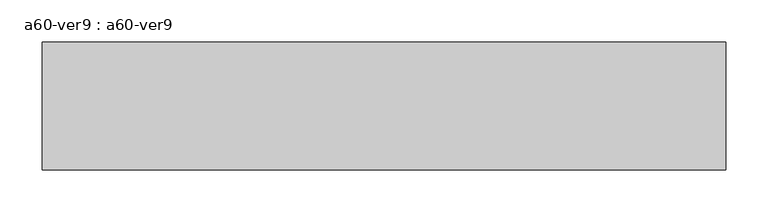
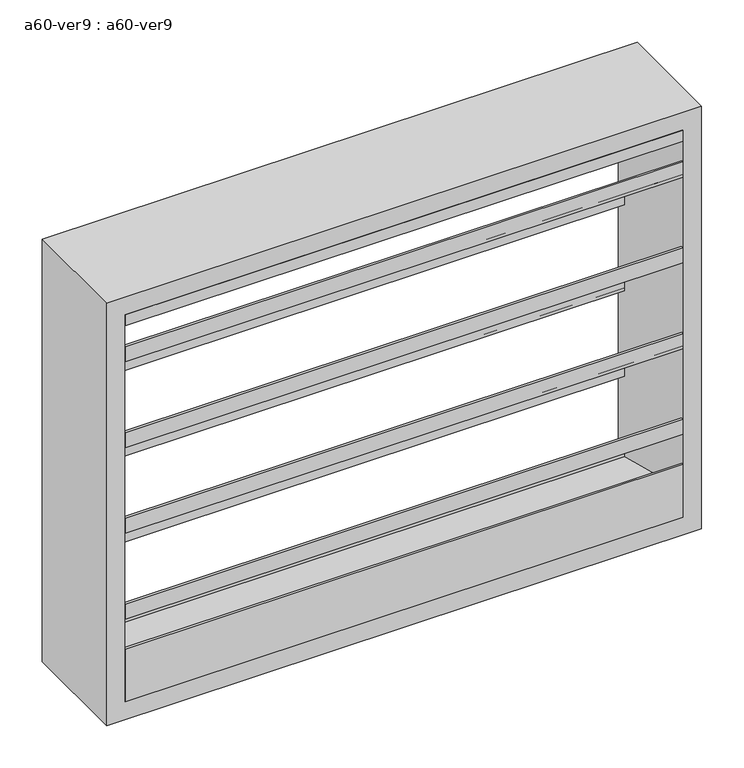
"""IFC4 building model written with IfcOpenShell, lengths in millimetres: proxy geometry, a60-ver9 : a60-ver9."""

from ifc_helpers import new_model, si_unit, frame, origin, place, context, project, spatial, polyline, outline, extrude, source, transform, mapped, element, save


def a60_ver9_a60_ver9_66e191cd(model_context):
    return source(origin(), model_context, "Body", "SweptSolid", [
        extrude(outline(polyline([(-73.025, 1106.4657367), (-73.025, 1086.29979), (65.3071116, 980.1538275), (65.3071116, 962.3154476), (73.025, 956.3933035), (73.025, 981.1079125), (76.2, 981.1079125), (76.2, 952.5), (72.883344, 952.5), (62.1321116, 960.7497108), (62.1321116, 978.5880908), (-76.2, 1084.7340533), (-76.2, 1106.4657367), (-73.025, 1106.4657367)])), frame((-381.0, 0.0, 0.0), z_axis=(1.0, 0.0, 0.0), x_axis=(0.0, 1.0, 0.0)), (0.0, 0.0, 1.0), 762.0),
        extrude(outline(polyline([(-73.025, 1230.2907367), (-73.025, 1210.12479), (65.3071116, 1103.9788275), (65.3071116, 1086.1404476), (73.025, 1080.2183035), (73.025, 1104.9329125), (76.2, 1104.9329125), (76.2, 1076.325), (72.883344, 1076.325), (62.1321116, 1084.5747108), (62.1321116, 1102.4130908), (-76.2, 1208.5590533), (-76.2, 1230.2907367), (-73.025, 1230.2907367)])), frame((-381.0, 0.0, 0.0), z_axis=(1.0, 0.0, 0.0), x_axis=(0.0, 1.0, 0.0)), (0.0, 0.0, 1.0), 762.0),
        extrude(outline(polyline([(-73.025, 1354.1157367), (-73.025, 1333.94979), (65.3071116, 1227.8038275), (65.3071116, 1209.9654476), (73.025, 1204.0433035), (73.025, 1228.7579125), (76.2, 1228.7579125), (76.2, 1200.15), (72.883344, 1200.15), (62.1321116, 1208.3997108), (62.1321116, 1226.2380908), (-76.2, 1332.3840533), (-76.2, 1354.1157367), (-73.025, 1354.1157367)])), frame((-381.0, 0.0, 0.0), z_axis=(1.0, 0.0, 0.0), x_axis=(0.0, 1.0, 0.0)), (0.0, 0.0, 1.0), 762.0),
        extrude(outline(polyline([(-73.025, 1477.9407367), (-73.025, 1457.77479), (65.3071116, 1351.6288275), (65.3071116, 1333.7904476), (73.025, 1327.8683035), (73.025, 1352.5829125), (76.2, 1352.5829125), (76.2, 1323.975), (72.883344, 1323.975), (62.1321116, 1332.2247108), (62.1321116, 1350.0630908), (-76.2, 1456.2090533), (-76.2, 1477.9407367), (-73.025, 1477.9407367)])), frame((-381.0, 0.0, 0.0), z_axis=(1.0, 0.0, 0.0), x_axis=(0.0, 1.0, 0.0)), (0.0, 0.0, 1.0), 762.0),
        extrude(outline(polyline([(0.0, 1508.125), (76.2, 1447.8), (71.0848317, 1447.8), (-5.1151683, 1508.125), (-76.2, 1508.125), (-76.2, 1524.0), (76.2, 1524.0), (0.0, 1508.125)])), frame((-381.0, 0.0, 0.0), z_axis=(1.0, 0.0, 0.0), x_axis=(0.0, 1.0, 0.0)), (0.0, 0.0, 1.0), 762.0),
        extrude(outline(polyline([(76.2, 965.2), (-76.2, 965.2), (-76.2, 1041.4), (-73.025, 1041.4), (-73.025, 1003.3), (76.2, 965.2)])), frame((-381.0, 0.0, 0.0), z_axis=(1.0, 0.0, 0.0), x_axis=(0.0, 1.0, 0.0)), (0.0, 0.0, 1.0), 762.0),
        extrude(outline(polyline([(939.8, -406.4), (939.8, 406.4), (1549.4, 406.4), (1549.4, -406.4), (939.8, -406.4)]), holes=[polyline([(965.2, -381.0), (1524.0, -381.0), (1524.0, 381.0), (965.2, 381.0), (965.2, -381.0)])]), frame((0.0, -76.2, 0.0), z_axis=(0.0, 1.0, 0.0), x_axis=(0.0, 0.0, 1.0)), (0.0, 0.0, 1.0), 152.4),
    ])


if __name__ == "__main__":
    model = new_model("IFC4")
    model_context = context("Model", 3, world=origin())
    ifc_project = project(units=[si_unit("LENGTHUNIT", "METRE", prefix="MILLI")], contexts=[model_context])
    site = spatial("IfcSite", under=ifc_project)
    building = spatial("IfcBuilding", under=site)
    placement = place(None, origin())
    a60_ver9_a60_ver9_shape = a60_ver9_a60_ver9_66e191cd(model_context)
    element("IfcBuildingElementProxy", 1, Name="a60-ver9 : a60-ver9", ObjectType="a60-ver9 : a60-ver9", at=placement, inside=building, context=model_context, shape_type="MappedRepresentation", body=[
        mapped(a60_ver9_a60_ver9_shape, transform((0.0, 0.0, 0.0), x_axis=(1.0, 0.0, 0.0), y_axis=(0.0, 1.0, 0.0), z_axis=(0.0, 0.0, 1.0))),
    ])
    save(model, "model.ifc")
